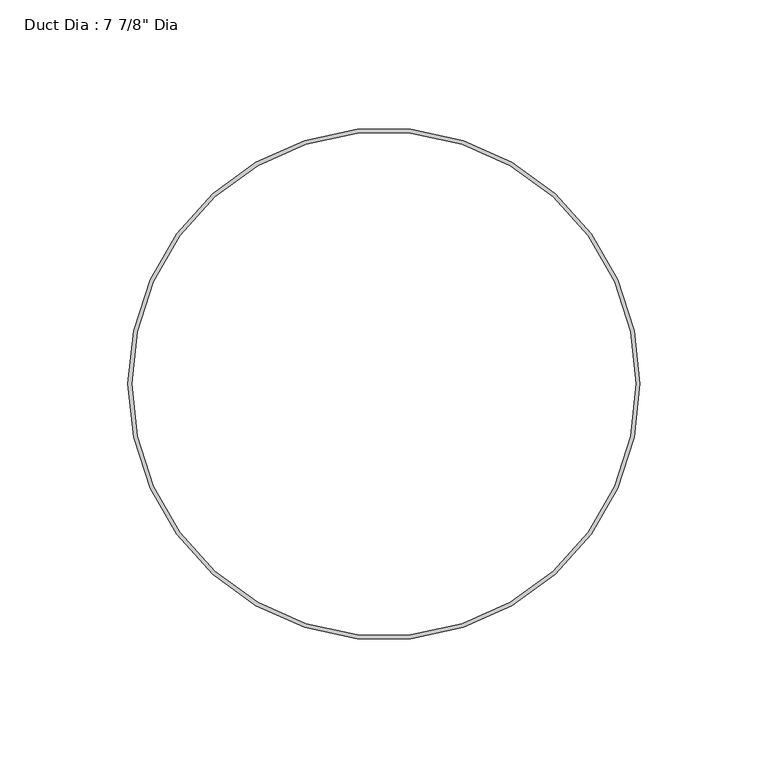
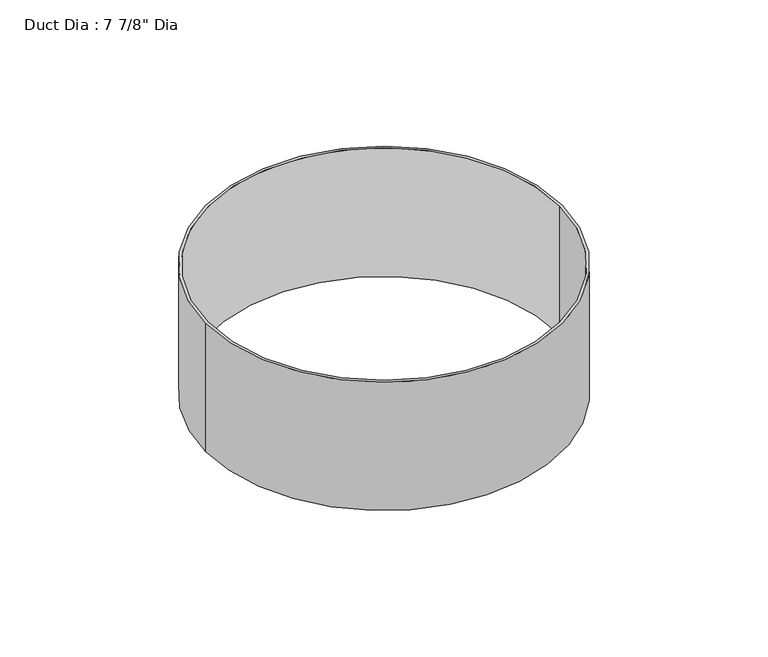
"""IFC4 building model written with IfcOpenShell, lengths in millimetres: proxy geometry."""

from ifc_helpers import new_model, si_unit, point, origin, origin_with_axes, origin_2d, place, context, project, spatial, circle_curve, trimmed, segment, composite_curve, outline, extrude, source, transform, mapped, element, save


def proxy_6224372d(model_context):
    return source(origin(), model_context, "Body", "SweptSolid", [
        extrude(outline(composite_curve([segment(trimmed(circle_curve(origin_2d(), 100.0125), [point((-100.0125, 0.0))], [point((100.0125, 0.0))], False, "CARTESIAN"), True, "CONTINUOUS"), segment(trimmed(circle_curve(origin_2d(), 100.0125), [point((100.0125, 0.0))], [point((-100.0125, 0.0))], False, "CARTESIAN"), True, "CONTINUOUS")], self_intersect=False), holes=[composite_curve([segment(trimmed(circle_curve(origin_2d(), 98.425), [point((-98.425, 0.0))], [point((98.425, 0.0))], True, "CARTESIAN"), True, "CONTINUOUS"), segment(trimmed(circle_curve(origin_2d(), 98.425), [point((98.425, 0.0))], [point((-98.425, 0.0))], True, "CARTESIAN"), True, "CONTINUOUS")], self_intersect=False)]), origin_with_axes(), (0.0, 0.0, 1.0), 76.2),
    ])


if __name__ == "__main__":
    model = new_model("IFC4")
    model_context = context("Model", 3, world=origin())
    ifc_project = project(units=[si_unit("LENGTHUNIT", "METRE", prefix="MILLI")], contexts=[model_context])
    site = spatial("IfcSite", under=ifc_project)
    building = spatial("IfcBuilding", under=site)
    placement = place(None, origin())
    proxy_shape = proxy_6224372d(model_context)
    element("IfcBuildingElementProxy", 1, Name="Duct Dia : 7 7/8\" Dia", ObjectType="Duct Dia : 7 7/8\" Dia", at=placement, inside=building, context=model_context, shape_type="MappedRepresentation", body=[
        mapped(proxy_shape, transform((0.0, 0.0, 0.0), x_axis=(1.0, 0.0, 0.0), y_axis=(0.0, 1.0, 0.0), z_axis=(0.0, 0.0, 1.0))),
    ])
    save(model, "model.ifc")
